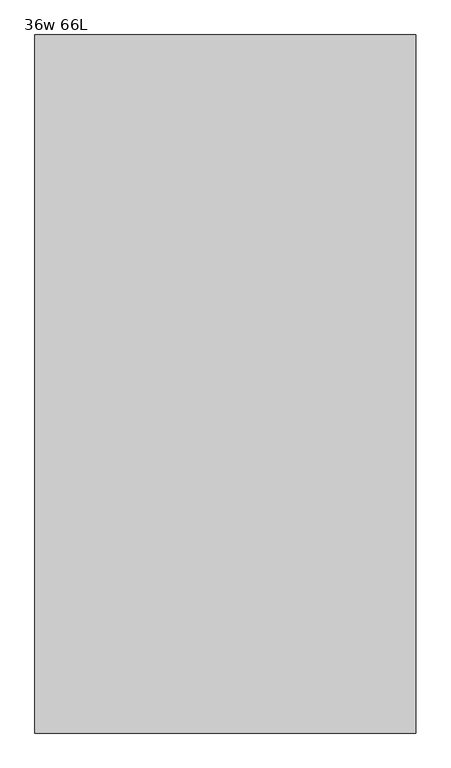
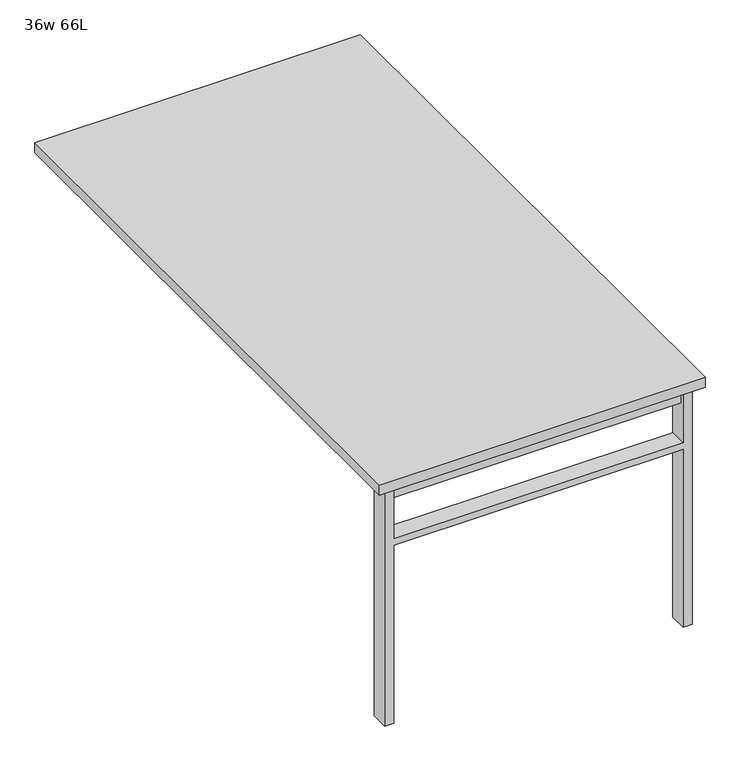
"""IFC4 building model written with IfcOpenShell, lengths in millimetres: furniture geometry, 36w 66L."""

from ifc_helpers import new_model, si_unit, frame, origin, place, context, project, spatial, polyline, outline, extrude, source, transform, mapped, element, save


def furniture_36w_66l_7199ecf9(model_context):
    return source(origin(), model_context, "Body", "SweptSolid", [
        extrude(outline(polyline([(-406.4, -777.875), (406.4, -777.875), (406.4, -809.625), (-406.4, -809.625), (-406.4, -777.875)])), frame((0.0, 0.0, 661.9875), z_axis=(0.0, 0.0, 1.0), x_axis=(1.0, 0.0, 0.0)), (0.0, 0.0, 1.0), 44.45),
        extrude(outline(polyline([(528.6375, 406.4), (0.0, 406.4), (0.0, 431.8), (706.4375, 431.8), (706.4375, 406.4), (547.6875, 406.4), (547.6875, -406.4), (706.4375, -406.4), (706.4375, -431.8), (0.0, -431.8), (0.0, -406.4), (528.6375, -406.4), (528.6375, 406.4)])), frame((0.0, -819.15, 0.0), z_axis=(0.0, 1.0, 0.0), x_axis=(0.0, 0.0, 1.0)), (0.0, 0.0, 1.0), 50.8),
        extrude(outline(polyline([(-457.2, -838.2), (-457.2, 838.2), (457.2, 838.2), (457.2, -838.2), (-457.2, -838.2)])), frame((0.0, 0.0, 706.4375), z_axis=(0.0, 0.0, 1.0), x_axis=(1.0, 0.0, 0.0)), (0.0, 0.0, 1.0), 30.1625),
    ])


if __name__ == "__main__":
    model = new_model("IFC4")
    model_context = context("Model", 3, world=origin())
    ifc_project = project(units=[si_unit("LENGTHUNIT", "METRE", prefix="MILLI")], contexts=[model_context])
    site = spatial("IfcSite", under=ifc_project)
    building = spatial("IfcBuilding", under=site)
    placement = place(None, origin())
    furniture_36w_66l_shape = furniture_36w_66l_7199ecf9(model_context)
    element("IfcFurniture", 1, ObjectType="36w 66L", at=placement, inside=building, context=model_context, shape_type="MappedRepresentation", body=[
        mapped(furniture_36w_66l_shape, transform((0.0, 0.0, 0.0), x_axis=(1.0, 0.0, 0.0), y_axis=(0.0, 1.0, 0.0), z_axis=(0.0, 0.0, 1.0))),
    ])
    save(model, "model.ifc")
